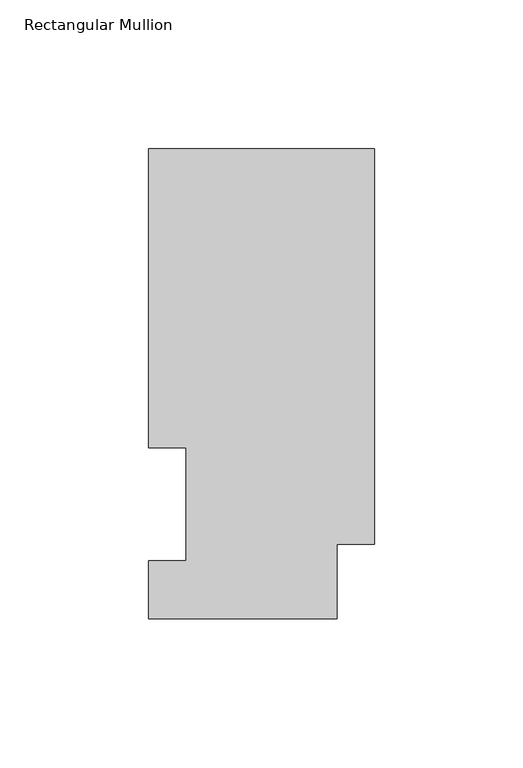
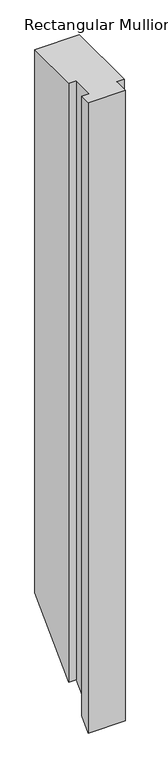
"""IFC4 building model written with IfcOpenShell, lengths in millimetres: member geometry, Rectangular Mullion."""

from ifc_helpers import new_model, si_unit, origin, place, context, project, spatial, faceted_brep, source, transform, mapped, element, save


def rectangular_mullion_01a7e7b5(model_context):
    return source(origin(), model_context, "Body", "Brep", [
        faceted_brep([(-76.2, 158.3316937, 0.0), (-76.2, 57.6460938, 0.0), (-63.5, 57.6460938, 0.0), (-63.5, 19.5460937, 0.0), (-76.2, 19.5460937, 0.0), (-76.2, 0.0134937, 0.0), (-12.7, 0.0134937, 0.0), (-12.7, 25.0832937, 0.0), (0.0, 25.0832937, 0.0), (0.0, 158.3316937, 0.0), (-76.2, 158.3316937, -984.6818), (-76.2, 57.6460938, -1085.3674), (-63.5, 57.6460938, -1085.3674), (-63.5, 19.5460937, -1123.4674), (-76.2, 19.5460937, -1123.4674), (-76.2, 0.0134937, -1143.0), (-12.7, 0.0134937, -1143.0), (-12.7, 25.0832937, -1117.9302), (0.0, 25.0832937, -1117.9302), (0.0, 158.3316937, -984.6818)], [[[0, 1, 2, 3, 4, 5, 6, 7, 8, 9]], [[1, 0, 10, 11]], [[2, 1, 11, 12]], [[3, 2, 12, 13]], [[4, 3, 13, 14]], [[5, 4, 14, 15]], [[6, 5, 15, 16]], [[7, 6, 16, 17]], [[8, 7, 17, 18]], [[9, 8, 18, 19]], [[0, 9, 19, 10]], [[10, 19, 18, 17, 16, 15, 14, 13, 12, 11]]]),
    ])


if __name__ == "__main__":
    model = new_model("IFC4")
    model_context = context("Model", 3, world=origin())
    ifc_project = project(units=[si_unit("LENGTHUNIT", "METRE", prefix="MILLI")], contexts=[model_context])
    site = spatial("IfcSite", under=ifc_project)
    building = spatial("IfcBuilding", under=site)
    placement = place(None, origin())
    rectangular_mullion_shape = rectangular_mullion_01a7e7b5(model_context)
    element("IfcMember", 1, ObjectType="Rectangular Mullion", at=placement, inside=building, context=model_context, shape_type="MappedRepresentation", body=[
        mapped(rectangular_mullion_shape, transform((0.0, 0.0, 0.0), x_axis=(1.0, 0.0, 0.0), y_axis=(0.0, 1.0, 0.0), z_axis=(0.0, 0.0, 1.0))),
    ])
    save(model, "model.ifc")
